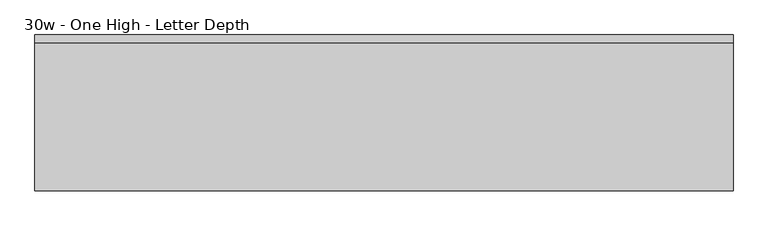
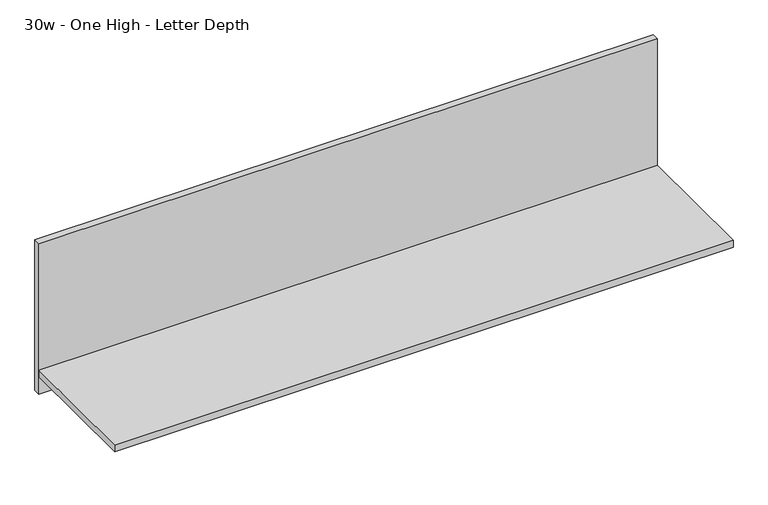
"""IFC4 building model written with IfcOpenShell, lengths in millimetres: furniture geometry, 30w - One High - Letter Depth."""

from ifc_helpers import new_model, si_unit, frame, origin, place, context, project, spatial, polyline, outline, extrude, source, transform, mapped, element, save


def furniture_30w_one_high_letter_depth_ef6a5966(model_context):
    return source(origin(), model_context, "Body", "SweptSolid", [
        extrude(outline(polyline([(840.6402902, -30.4843594), (-835.7597098, -30.4843594), (-835.7597098, -11.4343594), (840.6402902, -11.4343594), (840.6402902, -30.4843594)])), frame((0.0, 0.0, 762.0), z_axis=(0.0, 0.0, 1.0), x_axis=(1.0, 0.0, 0.0)), (0.0, 0.0, 1.0), 431.8),
        extrude(outline(polyline([(-835.7597098, -386.0843594), (-835.7597098, -30.4843594), (840.6402902, -30.4843594), (840.6402902, -386.0843594), (-835.7597098, -386.0843594)])), frame((0.0, 0.0, 812.8), z_axis=(0.0, 0.0, 1.0), x_axis=(1.0, 0.0, 0.0)), (0.0, 0.0, 1.0), 19.05),
    ])


if __name__ == "__main__":
    model = new_model("IFC4")
    model_context = context("Model", 3, world=origin())
    ifc_project = project(units=[si_unit("LENGTHUNIT", "METRE", prefix="MILLI")], contexts=[model_context])
    site = spatial("IfcSite", under=ifc_project)
    building = spatial("IfcBuilding", under=site)
    placement = place(None, origin())
    furniture_30w_one_high_letter_depth_shape = furniture_30w_one_high_letter_depth_ef6a5966(model_context)
    element("IfcFurniture", 1, ObjectType="30w - One High - Letter Depth", at=placement, inside=building, context=model_context, shape_type="MappedRepresentation", body=[
        mapped(furniture_30w_one_high_letter_depth_shape, transform((0.0, 0.0, 0.0), x_axis=(1.0, 0.0, 0.0), y_axis=(0.0, 1.0, 0.0), z_axis=(0.0, 0.0, 1.0))),
    ])
    save(model, "model.ifc")
